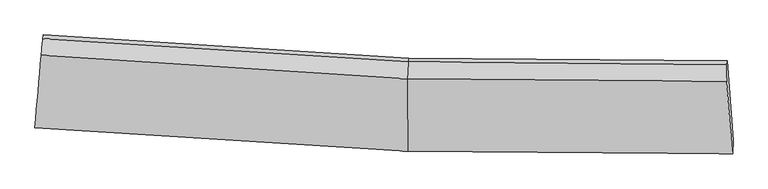
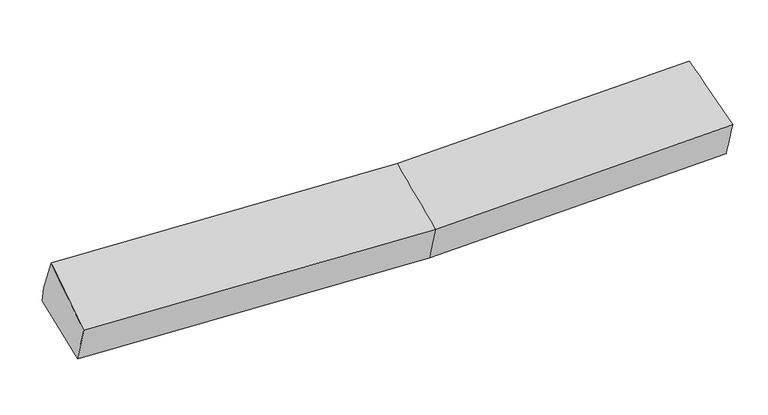
"""IFC4 building model written with IfcOpenShell, lengths in millimetres: proxy geometry."""

from ifc_helpers import new_model, si_unit, frame, origin, place, context, project, spatial, source, transform, mapped, element, save
from ifc_brep_helpers import plane_surface, spline_surface, advanced_brep


def generic_models_b4f2f26a(model_context):
    return source(origin(), model_context, "Body", "AdvancedBrep", [
        advanced_brep(
        [(-3118.7741463, -1915.1727643, 2048.2382939), (-3107.8303211, -1798.980078, 1686.0755731), (132.9070795, -2004.5437585, 1699.9028977), (125.0700147, -2120.8813511, 2062.0996521), (-3047.7064394, -1107.6614098, 1836.287483), (134.1167059, -1310.4771964, 1849.4694186), (-3050.8883703, -1140.301123, 1987.7784875), (130.9347749, -1343.1169096, 2000.9604231), (-3064.3090111, -1285.3205617, 2329.7057441), (123.3225818, -1488.4072674, 2342.9513095), (2905.1577027, -1365.9695707, 2080.7763389), (2902.5904424, -1511.1121497, 2422.9050295), (2953.1613539, -2142.1560699, 2143.3870029), (2958.3000391, -2025.8975196, 1781.1165412), (2908.3396337, -1333.3298575, 1929.2853344)],
        [
            (0, 1),
            (1, 2),
            (2, 3),
            (3, 0),
            (1, 4),
            (4, 5),
            (5, 1),
            (4, 6),
            (6, 7),
            (7, 5),
            (6, 8),
            (8, 9),
            (9, 7),
            (8, 0),
            (3, 9),
            (10, 11),
            (11, 12),
            (12, 13),
            (13, 14),
            (14, 10),
            (5, 2),
            (9, 11),
            (10, 7),
            (3, 12),
            (2, 13),
            (5, 14),
        ],
        [
            spline_surface(1, 1, [[(-3118.7741463, -1915.1727643, 2048.2382939), (125.0700147, -2120.8813511, 2062.0996521)], [(-3107.8303211, -1798.980078, 1686.0755731), (132.9070795, -2004.5437585, 1699.9028977)]], [2, 2], [2, 2], [0.0, 1.0], [0.0, 1.0]),
            plane_surface(frame((-3077.7683802, -1453.3207439, 1761.1815281), z_axis=(0.01748870118175307, 0.2108436143512232, -0.9773633488208407), x_axis=(0.08468152356753009, 0.9736882650448183, 0.21156607024826485))),
            plane_surface(frame((-3049.2974048, -1123.9812664, 1912.0329852), z_axis=(0.06130191662320733, 0.975462895546523, 0.21145735842082847), x_axis=(-0.020528586676601613, -0.21057879495675158, 0.9773613191873431))),
            spline_surface(1, 1, [[(-3050.8883703, -1140.301123, 1987.7784875), (130.9347749, -1343.1169096, 2000.9604231)], [(-3064.3090111, -1285.3205617, 2329.7057441), (123.3225818, -1488.4072674, 2342.9513095)]], [2, 2], [2, 2], [0.0, 1.0], [0.0, 1.0]),
            spline_surface(1, 1, [[(-3064.3090111, -1285.3205617, 2329.7057441), (123.3225818, -1488.4072674, 2342.9513095)], [(-3118.7741463, -1915.1727643, 2048.2382939), (125.0700147, -2120.8813511, 2062.0996521)]], [2, 2], [2, 2], [0.0, 1.0], [0.0, 1.0]),
            plane_surface(frame((2925.5098343, -1675.6930335, 2071.4940494), z_axis=(0.9973099292925897, 0.06448967861844095, 0.03484230598138098), x_axis=(-0.0069077048096240256, -0.3905338564657133, 0.9205626489100461))),
            plane_surface(frame((-3077.9016576, -1449.4871874, 1977.6171163), z_axis=(-0.9961965753280546, 0.08710759799566939, -0.0021563107569666437), x_axis=(0.0787035414984414, 0.9101528670552342, 0.40672780965498334))),
            plane_surface(frame((-3107.8303211, -1798.980078, 1686.0755731), z_axis=(0.01752869596000185, 0.2105958185451388, -0.9774160557455791), x_axis=(0.0017036990982425503, 0.9775585381695597, 0.21065707170939266))),
            spline_surface(1, 1, [[(130.9347749, -1343.1169096, 2000.9604231), (2905.1577027, -1365.9695707, 2080.7763389)], [(123.3225818, -1488.4072674, 2342.9513095), (2902.5904424, -1511.1121497, 2422.9050295)]], [2, 2], [2, 2], [0.0, 1.0], [0.0, 1.0]),
            spline_surface(1, 1, [[(123.3225818, -1488.4072674, 2342.9513095), (2902.5904424, -1511.1121497, 2422.9050295)], [(125.0700147, -2120.8813511, 2062.0996521), (2953.1613539, -2142.1560699, 2143.3870029)]], [2, 2], [2, 2], [0.0, 1.0], [0.0, 1.0]),
            spline_surface(1, 1, [[(125.0700147, -2120.8813511, 2062.0996521), (2953.1613539, -2142.1560699, 2143.3870029)], [(132.9070795, -2004.5437585, 1699.9028977), (2958.3000391, -2025.8975196, 1781.1165412)]], [2, 2], [2, 2], [0.0, 1.0], [0.0, 1.0]),
            spline_surface(1, 1, [[(132.9070795, -2004.5437585, 1699.9028977), (2958.3000391, -2025.8975196, 1781.1165412)], [(134.1167059, -1310.4771964, 1849.4694186), (2908.3396337, -1333.3298575, 1929.2853344)]], [2, 2], [2, 2], [0.0, 1.0], [0.0, 1.0]),
            plane_surface(frame((132.5257404, -1326.797053, 1925.2149208), z_axis=(0.001991741176247441, 0.9775567719695525, 0.21066274123241424), x_axis=(-0.020528586676601065, -0.21057879495675158, 0.9773613191873431))),
        ],
        [
            (0, [[1, 2, 3, 4]]),
            (1, [[5, 6, 7]]),
            (2, [[8, 9, 10, -6]]),
            (3, [[11, 12, 13, -9]]),
            (4, [[14, -4, 15, -12]]),
            (5, [[16, 17, 18, 19, 20]]),
            (6, [[-14, -11, -8, -5, -1]]),
            (7, [[21, -2, -7]]),
            (8, [[-13, 22, -16, 23]]),
            (9, [[-15, 24, -17, -22]]),
            (10, [[-3, 25, -18, -24]]),
            (11, [[-21, 26, -19, -25]]),
            (12, [[-10, -23, -20, -26]]),
        ],
    ),
    ])


if __name__ == "__main__":
    model = new_model("IFC4")
    model_context = context("Model", 3, world=origin())
    ifc_project = project(units=[si_unit("LENGTHUNIT", "METRE", prefix="MILLI")], contexts=[model_context])
    site = spatial("IfcSite", under=ifc_project)
    building = spatial("IfcBuilding", under=site)
    placement = place(None, origin())
    generic_models_shape = generic_models_b4f2f26a(model_context)
    element("IfcBuildingElementProxy", 1, Name="Generic Models", at=placement, inside=building, context=model_context, shape_type="MappedRepresentation", body=[
        mapped(generic_models_shape, transform((0.0, 0.0, 0.0), x_axis=(1.0, 0.0, 0.0), y_axis=(0.0, 1.0, 0.0), z_axis=(0.0, 0.0, 1.0))),
    ])
    save(model, "model.ifc")
